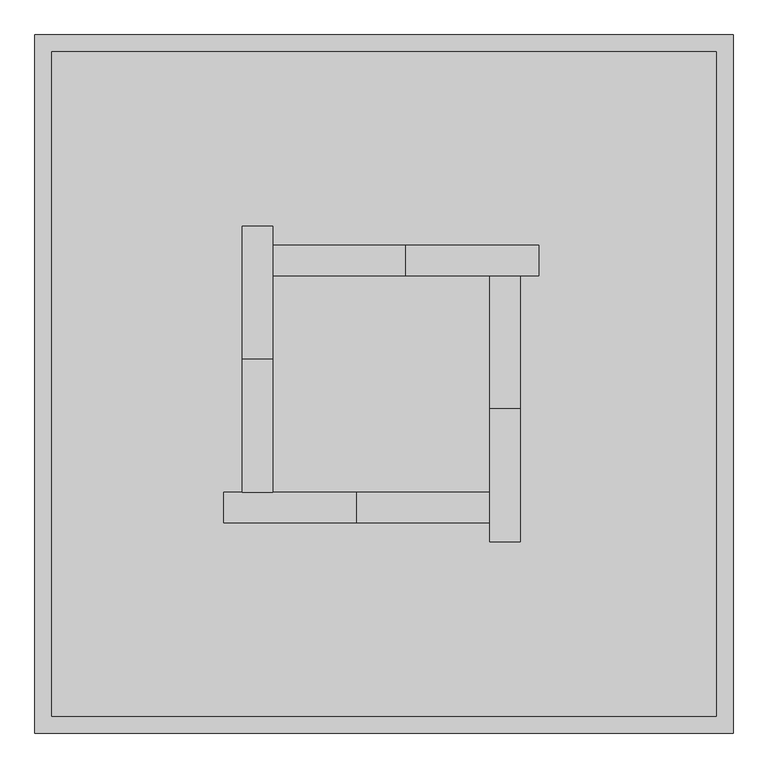
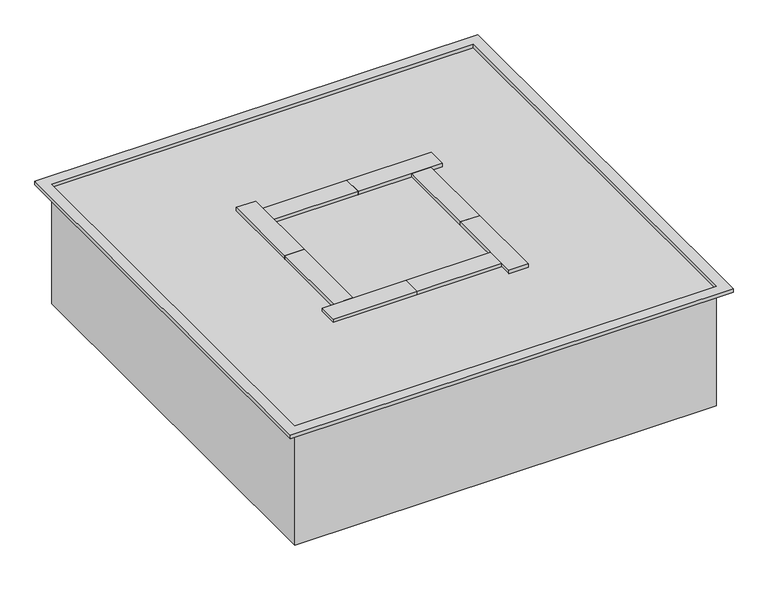
"""IFC4 building model written with IfcOpenShell, lengths in millimetres: proxy geometry."""

from ifc_helpers import new_model, si_unit, frame, origin, origin_with_axes, place, context, project, spatial, polyline, outline, extrude, source, transform, mapped, element, save


def generic_models_5f67bcea(model_context):
    return source(origin(), model_context, "Body", "SweptSolid", [
        extrude(outline(polyline([(-255.2713025, 57.15), (-255.2713025, -247.65), (-325.1213025, -247.65), (-325.1213025, 57.15), (-255.2713025, 57.15)])), frame((0.0, 0.0, 444.5), z_axis=(0.0, 0.0, 1.0), x_axis=(1.0, 0.0, 0.0)), (0.0, 0.0, 1.0), 12.7),
        extrude(outline(polyline([(-255.2713025, 361.95), (-255.2713025, 57.15), (-325.1213025, 57.15), (-325.1213025, 361.95), (-255.2713025, 361.95)])), frame((0.0, 0.0, 444.5), z_axis=(0.0, 0.0, 1.0), x_axis=(1.0, 0.0, 0.0)), (0.0, 0.0, 1.0), 12.7),
        extrude(outline(polyline([(49.5286975, 317.5), (354.3286975, 317.5), (354.3286975, 247.65), (49.5286975, 247.65), (49.5286975, 317.5)])), frame((0.0, 0.0, 444.5), z_axis=(0.0, 0.0, 1.0), x_axis=(1.0, 0.0, 0.0)), (0.0, 0.0, 1.0), 12.7),
        extrude(outline(polyline([(-255.2713025, 317.5), (49.5286975, 317.5), (49.5286975, 247.65), (-255.2713025, 247.65), (-255.2713025, 317.5)])), frame((0.0, 0.0, 444.5), z_axis=(0.0, 0.0, 1.0), x_axis=(1.0, 0.0, 0.0)), (0.0, 0.0, 1.0), 12.7),
        extrude(outline(polyline([(312.3992568, -57.15), (312.3992568, -361.95), (242.5492568, -361.95), (242.5492568, -57.15), (312.3992568, -57.15)])), frame((0.0, 0.0, 444.5), z_axis=(0.0, 0.0, 1.0), x_axis=(1.0, 0.0, 0.0)), (0.0, 0.0, 1.0), 12.7),
        extrude(outline(polyline([(312.3992568, 247.65), (312.3992568, -57.15), (242.5492568, -57.15), (242.5492568, 247.65), (312.3992568, 247.65)])), frame((0.0, 0.0, 444.5), z_axis=(0.0, 0.0, 1.0), x_axis=(1.0, 0.0, 0.0)), (0.0, 0.0, 1.0), 12.7),
        extrude(outline(polyline([(-62.2507432, -317.5), (-62.2507432, -247.65), (242.5492568, -247.65), (242.5492568, -317.5), (-62.2507432, -317.5)])), frame((0.0, 0.0, 444.5), z_axis=(0.0, 0.0, 1.0), x_axis=(1.0, 0.0, 0.0)), (0.0, 0.0, 1.0), 12.7),
        extrude(outline(polyline([(-367.0507432, -317.5), (-367.0507432, -247.65), (-62.2507432, -247.65), (-62.2507432, -317.5), (-367.0507432, -317.5)])), frame((0.0, 0.0, 444.5), z_axis=(0.0, 0.0, 1.0), x_axis=(1.0, 0.0, 0.0)), (0.0, 0.0, 1.0), 12.7),
        extrude(outline(polyline([(800.1, 800.1), (800.1, -800.1), (-800.1, -800.1), (-800.1, 800.1), (800.1, 800.1)]), holes=[polyline([(762.0, 762.0), (-762.0, 762.0), (-762.0, -762.0), (762.0, -762.0), (762.0, 762.0)])]), frame((0.0, 0.0, 444.5), z_axis=(0.0, 0.0, 1.0), x_axis=(1.0, 0.0, 0.0)), (0.0, 0.0, 1.0), 12.7),
        extrude(outline(polyline([(762.0, 762.0), (762.0, -762.0), (-762.0, -762.0), (-762.0, 762.0), (762.0, 762.0)])), origin_with_axes(), (0.0, 0.0, 1.0), 444.5),
    ])


if __name__ == "__main__":
    model = new_model("IFC4")
    model_context = context("Model", 3, world=origin())
    ifc_project = project(units=[si_unit("LENGTHUNIT", "METRE", prefix="MILLI")], contexts=[model_context])
    site = spatial("IfcSite", under=ifc_project)
    building = spatial("IfcBuilding", under=site)
    placement = place(None, origin())
    generic_models_shape = generic_models_5f67bcea(model_context)
    element("IfcBuildingElementProxy", 1, Name="Generic Models", at=placement, inside=building, context=model_context, shape_type="MappedRepresentation", body=[
        mapped(generic_models_shape, transform((0.0, 0.0, 0.0), x_axis=(1.0, 0.0, 0.0), y_axis=(0.0, 1.0, 0.0), z_axis=(0.0, 0.0, 1.0))),
    ])
    save(model, "model.ifc")
